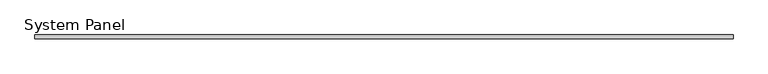
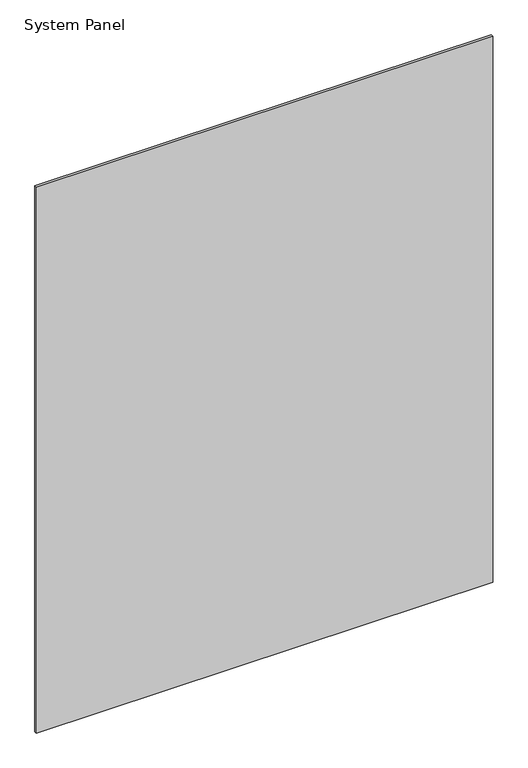
"""IFC4 building model written with IfcOpenShell, lengths in millimetres: plate geometry, System Panel."""

from ifc_helpers import new_model, si_unit, origin, origin_with_axes, place, context, project, spatial, polyline, outline, extrude, source, transform, mapped, element, save


def system_panel_f5c5d0c7(model_context):
    return source(origin(), model_context, "Body", "SweptSolid", [
        extrude(outline(polyline([(576.2814077, 18.0), (-576.2814077, 18.0), (-576.2814077, 24.6), (576.2814077, 24.6), (576.2814077, 18.0)])), origin_with_axes(), (0.0, 0.0, 1.0), 1457.325),
    ])


if __name__ == "__main__":
    model = new_model("IFC4")
    model_context = context("Model", 3, world=origin())
    ifc_project = project(units=[si_unit("LENGTHUNIT", "METRE", prefix="MILLI")], contexts=[model_context])
    site = spatial("IfcSite", under=ifc_project)
    building = spatial("IfcBuilding", under=site)
    placement = place(None, origin())
    system_panel_shape = system_panel_f5c5d0c7(model_context)
    element("IfcPlate", 1, ObjectType="System Panel", at=placement, inside=building, context=model_context, shape_type="MappedRepresentation", body=[
        mapped(system_panel_shape, transform((0.0, 0.0, 0.0), x_axis=(1.0, 0.0, 0.0), y_axis=(0.0, 1.0, 0.0), z_axis=(0.0, 0.0, 1.0))),
    ])
    save(model, "model.ifc")
